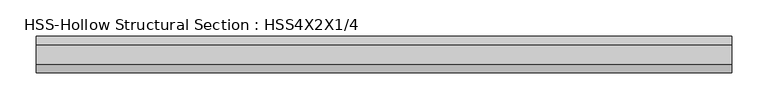
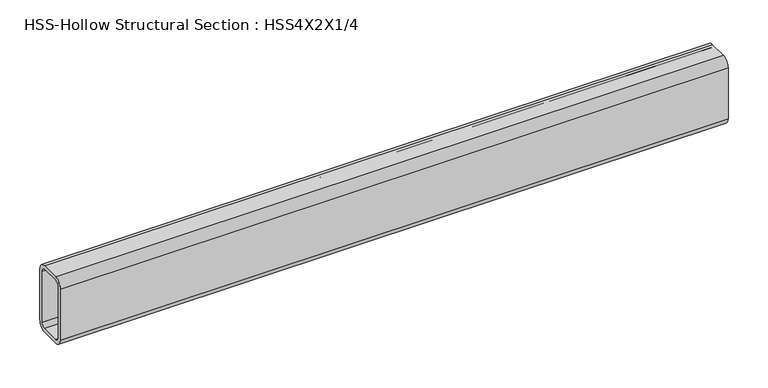
"""IFC4 building model written with IfcOpenShell, lengths in millimetres: beam geometry, HSS-Hollow Structural Section : HSS4X2X1/4."""

from ifc_helpers import new_model, si_unit, point, frame, frame_2d, origin, place, context, project, spatial, polyline, circle_curve, trimmed, segment, composite_curve, outline, extrude, source, transform, mapped, element, save


def hss_hollow_structural_section_hss4x2x1_4_13c0b65f(model_context):
    return source(origin(), model_context, "Body", "SweptSolid", [
        extrude(outline(composite_curve([segment(polyline([(25.4, 38.9636), (25.4, -38.9636)]), True, "CONTINUOUS"), segment(trimmed(circle_curve(frame_2d((13.5636, -38.9636)), 11.8364), [point((25.4, -38.9636))], [point((13.5636, -50.8))], False, "CARTESIAN"), True, "CONTINUOUS"), segment(polyline([(13.5636, -50.8), (-13.5636, -50.8)]), True, "CONTINUOUS"), segment(trimmed(circle_curve(frame_2d((-13.5636, -38.9636)), 11.8364), [point((-13.5636, -50.8))], [point((-25.4, -38.9636))], False, "CARTESIAN"), True, "CONTINUOUS"), segment(polyline([(-25.4, -38.9636), (-25.4, 38.9636)]), True, "CONTINUOUS"), segment(trimmed(circle_curve(frame_2d((-13.5636, 38.9636)), 11.8364), [point((-25.4, 38.9636))], [point((-13.5636, 50.8))], False, "CARTESIAN"), True, "CONTINUOUS"), segment(polyline([(-13.5636, 50.8), (13.5636, 50.8)]), True, "CONTINUOUS"), segment(trimmed(circle_curve(frame_2d((13.5636, 38.9636)), 11.8364), [point((13.5636, 50.8))], [point((25.4, 38.9636))], False, "CARTESIAN"), True, "CONTINUOUS")], self_intersect=False), holes=[composite_curve([segment(trimmed(circle_curve(frame_2d((-13.5636, 38.9636)), 5.9182), [point((-13.5636, 44.8818))], [point((-19.4818, 38.9636))], True, "CARTESIAN"), True, "CONTINUOUS"), segment(polyline([(-19.4818, 38.9636), (-19.4818, -38.9636)]), True, "CONTINUOUS"), segment(trimmed(circle_curve(frame_2d((-13.5636, -38.9636)), 5.9182), [point((-19.4818, -38.9636))], [point((-13.5636, -44.8818))], True, "CARTESIAN"), True, "CONTINUOUS"), segment(polyline([(-13.5636, -44.8818), (13.5636, -44.8818)]), True, "CONTINUOUS"), segment(trimmed(circle_curve(frame_2d((13.5636, -38.9636)), 5.9182), [point((13.5636, -44.8818))], [point((19.4818, -38.9636))], True, "CARTESIAN"), True, "CONTINUOUS"), segment(polyline([(19.4818, -38.9636), (19.4818, 38.9636)]), True, "CONTINUOUS"), segment(trimmed(circle_curve(frame_2d((13.5636, 38.9636)), 5.9182), [point((19.4818, 38.9636))], [point((13.5636, 44.8818))], True, "CARTESIAN"), True, "CONTINUOUS"), segment(polyline([(13.5636, 44.8818), (-13.5636, 44.8818)]), True, "CONTINUOUS")], self_intersect=False)]), frame((-482.6, 0.0, 0.0), z_axis=(1.0, 0.0, 0.0), x_axis=(0.0, 1.0, 0.0)), (0.0, 0.0, 1.0), 965.2),
    ])


if __name__ == "__main__":
    model = new_model("IFC4")
    model_context = context("Model", 3, world=origin())
    ifc_project = project(units=[si_unit("LENGTHUNIT", "METRE", prefix="MILLI")], contexts=[model_context])
    site = spatial("IfcSite", under=ifc_project)
    building = spatial("IfcBuilding", under=site)
    placement = place(None, origin())
    hss_hollow_structural_section_hss4x2x1_4_shape = hss_hollow_structural_section_hss4x2x1_4_13c0b65f(model_context)
    element("IfcBeam", 1, ObjectType="HSS-Hollow Structural Section : HSS4X2X1/4", at=placement, inside=building, context=model_context, shape_type="MappedRepresentation", body=[
        mapped(hss_hollow_structural_section_hss4x2x1_4_shape, transform((0.0, 0.0, 0.0), x_axis=(1.0, 0.0, 0.0), y_axis=(0.0, 1.0, 0.0), z_axis=(0.0, 0.0, 1.0))),
    ])
    save(model, "model.ifc")
